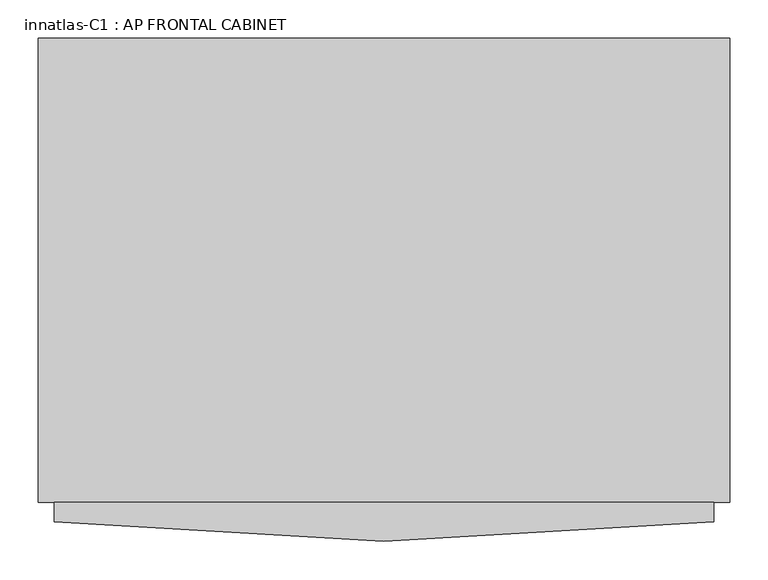
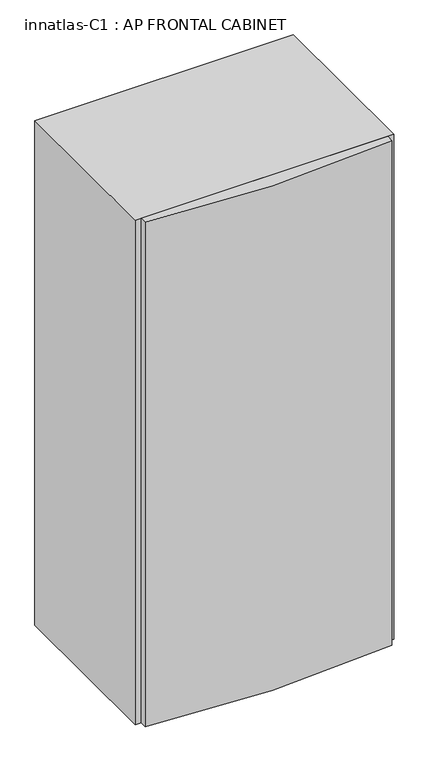
"""IFC4 building model written with IfcOpenShell, lengths in millimetres: proxy geometry, innatlas-C1 : AP FRONTAL CABINET."""

from ifc_helpers import new_model, si_unit, point, frame_2d, origin, origin_with_axes, place, context, project, spatial, polyline, circle_curve, trimmed, segment, composite_curve, outline, extrude, source, transform, mapped, element, save


def innatlas_c1_ap_frontal_cabinet_301de613(model_context):
    return source(origin(), model_context, "Body", "SweptSolid", [
        extrude(outline(composite_curve([segment(trimmed(circle_curve(frame_2d((-6.81e-05, 2890.1310143)), 3645.7810143), [point((428.7814869, -730.3476257))], [point((-428.781623, -730.3476257))], False, "CARTESIAN"), True, "CONTINUOUS"), segment(polyline([(-428.781623, -730.3476257), (-428.781623, -705.0452513), (428.7814869, -705.0452513), (428.7814869, -730.3476257)]), True, "CONTINUOUS")], self_intersect=False)), origin_with_axes(), (0.0, 0.0, 1.0), 1854.2),
        extrude(outline(polyline([(-449.1997955, -101.6), (449.1997955, -101.6), (449.1997955, -705.0452513), (-449.1997955, -705.0452513), (-449.1997955, -101.6)])), origin_with_axes(), (0.0, 0.0, 1.0), 1854.2),
    ])


if __name__ == "__main__":
    model = new_model("IFC4")
    model_context = context("Model", 3, world=origin())
    ifc_project = project(units=[si_unit("LENGTHUNIT", "METRE", prefix="MILLI")], contexts=[model_context])
    site = spatial("IfcSite", under=ifc_project)
    building = spatial("IfcBuilding", under=site)
    placement = place(None, origin())
    innatlas_c1_ap_frontal_cabinet_shape = innatlas_c1_ap_frontal_cabinet_301de613(model_context)
    element("IfcBuildingElementProxy", 1, Name="innatlas-C1 : AP FRONTAL CABINET", ObjectType="innatlas-C1 : AP FRONTAL CABINET", at=placement, inside=building, context=model_context, shape_type="MappedRepresentation", body=[
        mapped(innatlas_c1_ap_frontal_cabinet_shape, transform((0.0, 0.0, 0.0), x_axis=(1.0, 0.0, 0.0), y_axis=(0.0, 1.0, 0.0), z_axis=(0.0, 0.0, 1.0))),
    ])
    save(model, "model.ifc")
